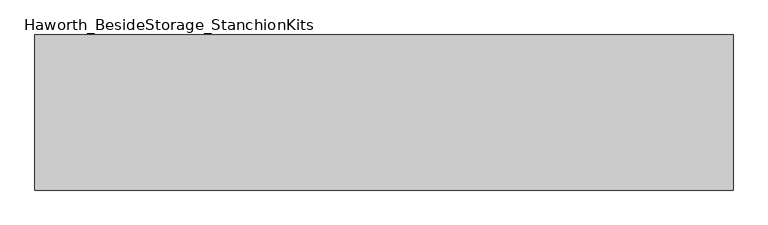
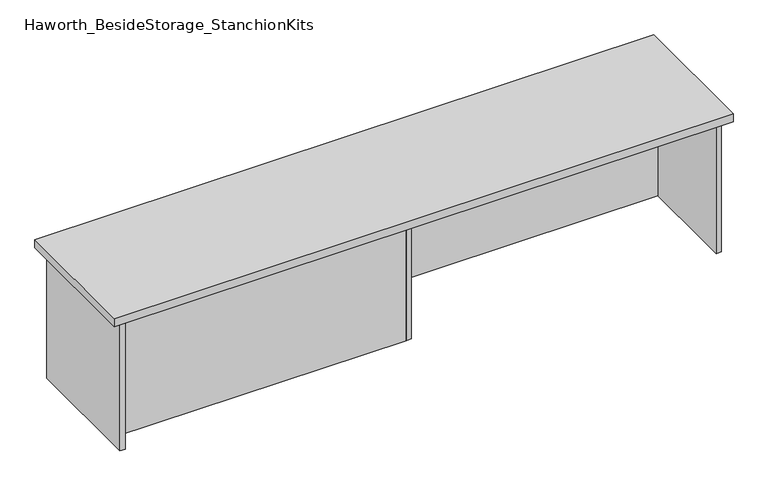
"""IFC4 building model written with IfcOpenShell, lengths in millimetres: furniture geometry, Haworth_BesideStorage_StanchionKits."""

from ifc_helpers import new_model, si_unit, frame, origin, place, context, project, spatial, polyline, outline, extrude, source, transform, mapped, element, save


def haworth_besidestorage_stanchionkits_4b4e9162(model_context):
    return source(origin(), model_context, "Body", "SweptSolid", [
        extrude(outline(polyline([(1076.325, 0.0), (1076.325, -406.4), (-752.475, -406.4), (-752.475, 0.0), (1076.325, 0.0)])), frame((0.0, 0.0, 838.2), z_axis=(0.0, 0.0, 1.0), x_axis=(1.0, 0.0, 0.0)), (0.0, 0.0, 1.0), 25.4),
        extrude(outline(polyline([(169.8625, -76.2), (1035.05, -76.2), (1035.05, -92.075), (169.8625, -92.075), (169.8625, -76.2)])), frame((0.0, 0.0, 431.8), z_axis=(0.0, 0.0, 1.0), x_axis=(1.0, 0.0, 0.0)), (0.0, 0.0, 1.0), 406.4),
        extrude(outline(polyline([(153.9875, -314.325), (153.9875, -330.2), (-711.2, -330.2), (-711.2, -314.325), (153.9875, -314.325)])), frame((0.0, 0.0, 431.8), z_axis=(0.0, 0.0, 1.0), x_axis=(1.0, 0.0, 0.0)), (0.0, 0.0, 1.0), 406.4),
        extrude(outline(polyline([(169.8625, -330.2), (153.9875, -330.2), (153.9875, -76.2), (169.8625, -76.2), (169.8625, -330.2)])), frame((0.0, 0.0, 431.8), z_axis=(0.0, 0.0, 1.0), x_axis=(1.0, 0.0, 0.0)), (0.0, 0.0, 1.0), 406.4),
        extrude(outline(polyline([(1050.925, -390.525), (1035.05, -390.525), (1035.05, -15.875), (1050.925, -15.875), (1050.925, -390.525)])), frame((0.0, 0.0, 431.8), z_axis=(0.0, 0.0, 1.0), x_axis=(1.0, 0.0, 0.0)), (0.0, 0.0, 1.0), 406.4),
        extrude(outline(polyline([(-711.2, -390.525), (-727.075, -390.525), (-727.075, -15.875), (-711.2, -15.875), (-711.2, -390.525)])), frame((0.0, 0.0, 431.8), z_axis=(0.0, 0.0, 1.0), x_axis=(1.0, 0.0, 0.0)), (0.0, 0.0, 1.0), 406.4),
    ])


if __name__ == "__main__":
    model = new_model("IFC4")
    model_context = context("Model", 3, world=origin())
    ifc_project = project(units=[si_unit("LENGTHUNIT", "METRE", prefix="MILLI")], contexts=[model_context])
    site = spatial("IfcSite", under=ifc_project)
    building = spatial("IfcBuilding", under=site)
    placement = place(None, origin())
    haworth_besidestorage_stanchionkits_shape = haworth_besidestorage_stanchionkits_4b4e9162(model_context)
    element("IfcFurniture", 1, ObjectType="Haworth_BesideStorage_StanchionKits", at=placement, inside=building, context=model_context, shape_type="MappedRepresentation", body=[
        mapped(haworth_besidestorage_stanchionkits_shape, transform((0.0, 0.0, 0.0), x_axis=(1.0, 0.0, 0.0), y_axis=(0.0, 1.0, 0.0), z_axis=(0.0, 0.0, 1.0))),
    ])
    save(model, "model.ifc")
